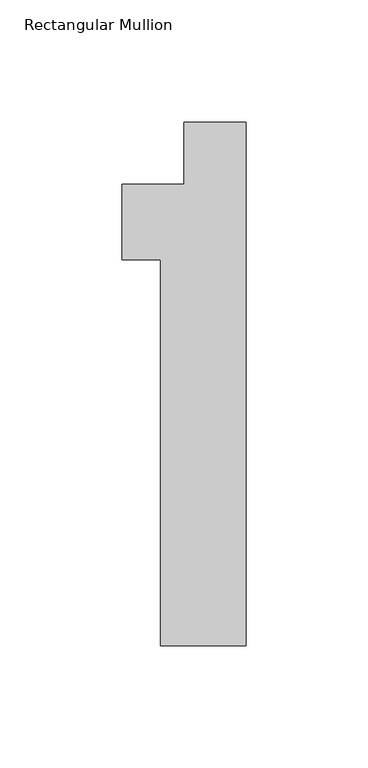
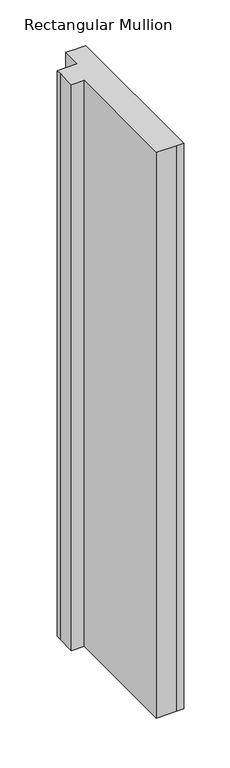
"""IFC4 building model written with IfcOpenShell, lengths in millimetres: member geometry, Rectangular Mullion."""

from ifc_helpers import new_model, si_unit, frame, origin, place, context, project, spatial, polyline, outline, extrude, source, transform, mapped, element, save


def rectangular_mullion_66c7e433(model_context):
    return source(origin(), model_context, "Body", "SweptSolid", [
        extrude(outline(polyline([(-9.525, 0.0), (0.0, 0.0), (0.0, -214.3125), (-9.525, -214.3125), (-34.925, -214.3125), (-34.925, -56.388), (-50.8, -56.388), (-50.8, -31.75), (-50.8, -25.4), (-25.4000001, -25.4), (-25.4000001, 0.0), (-12.7, 0.0), (-9.525, 0.0)])), frame((0.0, 0.0, -755.65), z_axis=(0.0, 0.0, 1.0), x_axis=(1.0, 0.0, 0.0)), (0.0, 0.0, 1.0), 755.65),
    ])


if __name__ == "__main__":
    model = new_model("IFC4")
    model_context = context("Model", 3, world=origin())
    ifc_project = project(units=[si_unit("LENGTHUNIT", "METRE", prefix="MILLI")], contexts=[model_context])
    site = spatial("IfcSite", under=ifc_project)
    building = spatial("IfcBuilding", under=site)
    placement = place(None, origin())
    rectangular_mullion_shape = rectangular_mullion_66c7e433(model_context)
    element("IfcMember", 1, ObjectType="Rectangular Mullion", at=placement, inside=building, context=model_context, shape_type="MappedRepresentation", body=[
        mapped(rectangular_mullion_shape, transform((0.0, 0.0, 0.0), x_axis=(1.0, 0.0, 0.0), y_axis=(0.0, 1.0, 0.0), z_axis=(0.0, 0.0, 1.0))),
    ])
    save(model, "model.ifc")
